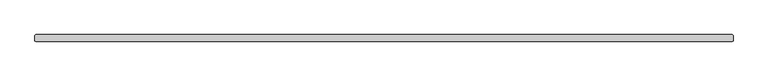
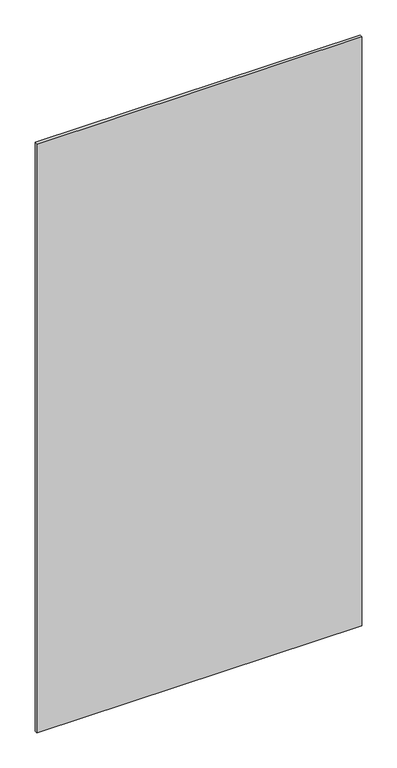
"""IFC4 building model written with IfcOpenShell, lengths in millimetres: plate geometry."""

import ifcopenshell
import ifcopenshell.guid

model = None  # the IFC model being written
_history = None  # IfcOwnerHistory: only IFC2X3 demands one
_inside = {}  # id of a spatial element -> (the spatial element, [elements in it])
_under = {}  # id of a project, library or spatial element -> (it, [spatial elements below it])
_declared = {}  # id of a project -> (the project, [libraries it declares])
_typed = {}  # id of a type object -> (the type object, [elements of that type])
_made_of = {}  # id of a material, layer set ... -> (it, [elements and type objects made of it])


def new_model(schema):
    """Start an empty IFC model of exactly this schema.

    Asked for "IFC4X3", IfcOpenShell would pick the latest addendum, in which some entities
    have other attributes; the version numbers below select the first issue.
    IFC2X3 requires an IfcOwnerHistory on every rooted entity: one is made here for all.
    """
    global model, _history
    if schema == "IFC4X3":
        model = ifcopenshell.file(schema_version=(4, 3, 0, 0))
    else:
        model = ifcopenshell.file(schema=schema)
    _inside.clear()
    _under.clear()
    _declared.clear()
    _typed.clear()
    _made_of.clear()
    _history = None
    if model.schema == "IFC2X3":
        org = make("IfcOrganization", Name="unknown")
        user = make(
            "IfcPersonAndOrganization",
            ThePerson=make("IfcPerson", FamilyName="unknown"),
            TheOrganization=org,
        )
        app = make(
            "IfcApplication",
            ApplicationDeveloper=org,
            Version="unknown",
            ApplicationFullName="unknown",
            ApplicationIdentifier="unknown",
        )
        _history = make(
            "IfcOwnerHistory",
            OwningUser=user,
            OwningApplication=app,
            ChangeAction="ADDED",
            CreationDate=0,
        )
    return model


def make(cls, **values):
    """One entity of the class cls with the attributes given. An attribute that is None is left unset."""
    return model.create_entity(
        cls, **{name: value for name, value in values.items() if value is not None}
    )


def rooted(cls, **values):
    """An entity with a GlobalId (a new one), such as an element, a storey or a relation."""
    return make(cls, GlobalId=ifcopenshell.guid.new(), OwnerHistory=_history, **values)


def si_unit(unit_type, name, prefix=None):
    """IfcSIUnit, for example si_unit("LENGTHUNIT", "METRE", prefix="MILLI")."""
    return make("IfcSIUnit", UnitType=unit_type, Prefix=prefix, Name=name)


def assignment(units):
    """IfcUnitAssignment: the units of a project."""
    return None if units is None else make("IfcUnitAssignment", Units=units)


def point(xyz):
    """IfcCartesianPoint."""
    return None if xyz is None else make("IfcCartesianPoint", Coordinates=xyz)


def direction(xyz):
    """IfcDirection."""
    return None if xyz is None else make("IfcDirection", DirectionRatios=xyz)


def frame(location, z_axis=None, x_axis=None):
    """IfcAxis2Placement3D, a coordinate frame: its origin and axes. An axis left out is left unset."""
    return make(
        "IfcAxis2Placement3D",
        Location=point(location),
        Axis=direction(z_axis),
        RefDirection=direction(x_axis),
    )


def origin():
    """The frame at (0, 0, 0) with its axes left unset."""
    return frame((0.0, 0.0, 0.0))


def origin_with_axes():
    """The frame at (0, 0, 0) with the z axis (0, 0, 1) and the x axis (1, 0, 0) written out."""
    return frame((0.0, 0.0, 0.0), z_axis=(0.0, 0.0, 1.0), x_axis=(1.0, 0.0, 0.0))


def place(relative_to, where):
    """IfcLocalPlacement: puts the frame where relative to a parent placement (None: the world)."""
    return make(
        "IfcLocalPlacement", PlacementRelTo=relative_to, RelativePlacement=where
    )


def context(
    kind, dimensions, precision=None, world=None, true_north=None, identifier=None
):
    """IfcGeometricRepresentationContext, for example the 3D "Model" context."""
    return make(
        "IfcGeometricRepresentationContext",
        ContextIdentifier=identifier,
        ContextType=kind,
        CoordinateSpaceDimension=dimensions,
        Precision=precision,
        WorldCoordinateSystem=world,
        TrueNorth=true_north,
    )


def project(units=None, contexts=None):
    """IfcProject with its units and contexts."""
    return rooted(
        "IfcProject",
        Name="project",
        RepresentationContexts=contexts,
        UnitsInContext=assignment(units),
    )


def spatial(cls, under=None, at=None, **own):
    """A site, building, storey or space (cls), placed at a placement, below another one or the project."""
    s = rooted(cls, ObjectPlacement=at, **own)
    if under is not None:
        _under.setdefault(under.id(), (under, []))[1].append(s)
    return s


def polyline(points):
    """IfcPolyline through the points."""
    return make("IfcPolyline", Points=[point(p) for p in points])


def outline(outer, holes=None, kind="AREA"):
    """IfcArbitraryClosedProfileDef: a profile drawn as a closed curve; with holes, ...WithVoids."""
    if holes is None:
        return make("IfcArbitraryClosedProfileDef", ProfileType=kind, OuterCurve=outer)
    return make(
        "IfcArbitraryProfileDefWithVoids",
        ProfileType=kind,
        OuterCurve=outer,
        InnerCurves=holes,
    )


def extrude(swept, where, along, depth):
    """IfcExtrudedAreaSolid: the profile swept, set in the frame where, extruded along a direction by depth."""
    return make(
        "IfcExtrudedAreaSolid",
        SweptArea=swept,
        Position=where,
        ExtrudedDirection=direction(along),
        Depth=depth,
    )


def shape(context_of_items, identifier, shape_type, items):
    """IfcShapeRepresentation: the items that make up one representation, for example the "Body"."""
    return make(
        "IfcShapeRepresentation",
        ContextOfItems=context_of_items,
        RepresentationIdentifier=identifier,
        RepresentationType=shape_type,
        Items=items,
    )


def source(mapping_origin, context_of_items, identifier, shape_type, items):
    """IfcRepresentationMap: a shape defined once, which mapped items show again and again."""
    return make(
        "IfcRepresentationMap",
        MappingOrigin=mapping_origin,
        MappedRepresentation=shape(context_of_items, identifier, shape_type, items),
    )


def transform(
    local_origin,
    x_axis=None,
    y_axis=None,
    z_axis=None,
    scale=None,
    scale2=None,
    scale3=None,
    uniform=True,
):
    """IfcCartesianTransformationOperator3D, or its non-uniform kind. x_axis, y_axis, z_axis: its Axis1, 2, 3."""
    if uniform:
        return make(
            "IfcCartesianTransformationOperator3D",
            Axis1=direction(x_axis),
            Axis2=direction(y_axis),
            LocalOrigin=point(local_origin),
            Scale=scale,
            Axis3=direction(z_axis),
        )
    return make(
        "IfcCartesianTransformationOperator3DnonUniform",
        Axis1=direction(x_axis),
        Axis2=direction(y_axis),
        LocalOrigin=point(local_origin),
        Scale=scale,
        Axis3=direction(z_axis),
        Scale2=scale2,
        Scale3=scale3,
    )


def mapped(mapping_source, mapping_target):
    """IfcMappedItem: shows the shape of a source again, moved by a transform."""
    return make(
        "IfcMappedItem", MappingSource=mapping_source, MappingTarget=mapping_target
    )


def made_of(thing, what):
    """Note that an element or type object is made of a material, layer set ...; save() writes the relation."""
    if what is not None:
        _made_of.setdefault(what.id(), (what, []))[1].append(thing)
    return thing


def element(
    cls,
    number,
    at=None,
    inside=None,
    cuts=None,
    type_object=None,
    material=None,
    context=None,
    identifier="Body",
    shape_type=None,
    held_by="IfcProductDefinitionShape",
    body=None,
    shapes=None,
    **own,
):
    """One element of the class cls, such as IfcWall. Its Tag is "e" and its number.

    at: its placement. inside: the storey or other place that contains it. cuts: it is an
    opening in that element (IfcRelVoidsElement). A single representation is given by context,
    identifier, shape_type and body (its items); several are given by shapes. held_by: the class
    of the entity that holds the representations. save() writes the other relations.
    """
    e = rooted(cls, Tag="e%d" % number, ObjectPlacement=at, **own)
    if body is not None:
        shapes = [shape(context, identifier, shape_type, body)]
    if shapes is not None:
        e.Representation = make(held_by, Representations=shapes)
    if inside is not None:
        _inside.setdefault(inside.id(), (inside, []))[1].append(e)
    if cuts is not None:
        rooted(
            "IfcRelVoidsElement", RelatingBuildingElement=cuts, RelatedOpeningElement=e
        )
    if type_object is not None:
        _typed.setdefault(type_object.id(), (type_object, []))[1].append(e)
    return made_of(e, material)


def aggregate(whole, parts):
    """IfcRelAggregates: a whole, such as a stair, and the parts it consists of."""
    return rooted("IfcRelAggregates", RelatingObject=whole, RelatedObjects=parts)


def save(model, path):
    """Write the relations noted so far, then the file.

    IfcRelAggregates (storeys below a building ...), IfcRelContainedInSpatialStructure (elements
    in a storey), IfcRelDefinesByType, IfcRelAssociatesMaterial and IfcRelDeclares: one each for
    every whole, place, type object, material and project.
    """
    for whole, parts in _under.values():
        aggregate(whole, parts)
    for where, things in _inside.values():
        rooted(
            "IfcRelContainedInSpatialStructure",
            RelatedElements=things,
            RelatingStructure=where,
        )
    for kind, things in _typed.values():
        rooted("IfcRelDefinesByType", RelatedObjects=things, RelatingType=kind)
    for what, things in _made_of.values():
        rooted("IfcRelAssociatesMaterial", RelatedObjects=things, RelatingMaterial=what)
    for by, libraries in _declared.values():
        rooted("IfcRelDeclares", RelatingContext=by, RelatedDefinitions=libraries)
    model.write(path)


def plate_abab1455(model_context):
    return source(origin(), model_context, "Body", "SweptSolid", [
        extrude(outline(polyline([(632.61875, -6.35), (-632.61875, -6.35), (-634.20625, -4.7625), (-634.20625, 4.7625), (-632.61875, 6.35), (632.61875, 6.35), (634.20625, 4.7625), (634.20625, -4.7625), (632.61875, -6.35)])), origin_with_axes(), (0.0, 0.0, 1.0), 2427.1914267),
    ])


if __name__ == "__main__":
    model = new_model("IFC4")
    model_context = context("Model", 3, world=origin())
    ifc_project = project(units=[si_unit("LENGTHUNIT", "METRE", prefix="MILLI")], contexts=[model_context])
    site = spatial("IfcSite", under=ifc_project)
    building = spatial("IfcBuilding", under=site)
    placement = place(None, origin())
    plate_shape = plate_abab1455(model_context)
    element("IfcPlate", 1, at=placement, inside=building, context=model_context, shape_type="MappedRepresentation", body=[
        mapped(plate_shape, transform((0.0, 0.0, 0.0), x_axis=(1.0, 0.0, 0.0), y_axis=(0.0, 1.0, 0.0), z_axis=(0.0, 0.0, 1.0))),
    ])
    save(model, "model.ifc")
